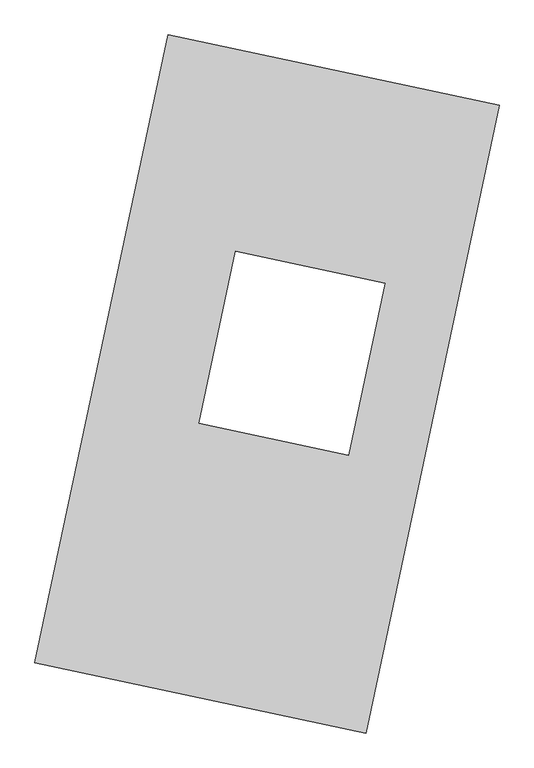
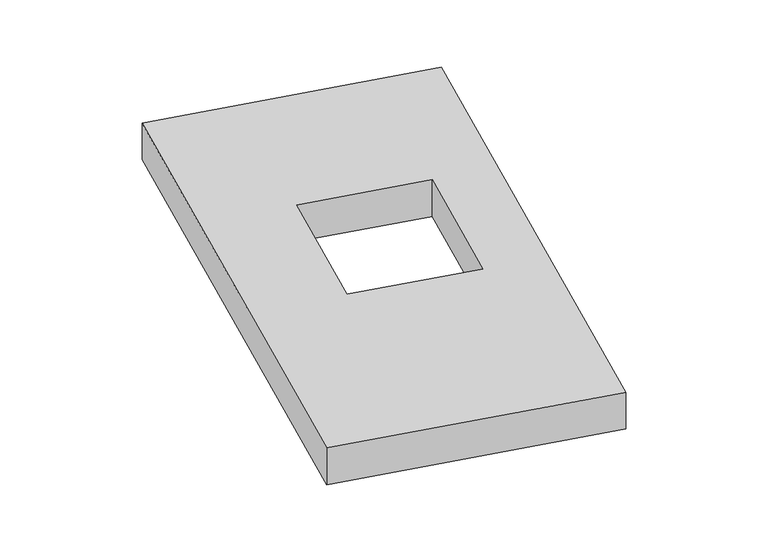
"""IFC4 building model written with IfcOpenShell, lengths in millimetres: proxy geometry."""

from ifc_helpers import new_model, si_unit, origin, origin_with_axes, place, context, project, spatial, polyline, outline, extrude, source, transform, mapped, element, save


def generic_models_498cb142(model_context):
    return source(origin(), model_context, "Body", "SweptSolid", [
        extrude(outline(polyline([(-617.3692021, 2175.5580432), (1447.7508745, 1737.3010494), (617.3692021, -2175.5580432), (-1447.7508745, -1737.3010494), (-617.3692021, 2175.5580432)]), holes=[polyline([(735.3260051, 628.5805693), (-197.4384665, 826.5305857), (-424.9197892, -245.3889802), (507.8446824, -443.3389967), (735.3260051, 628.5805693)])]), origin_with_axes(), (0.0, 0.0, 1.0), 300.0),
    ])


if __name__ == "__main__":
    model = new_model("IFC4")
    model_context = context("Model", 3, world=origin())
    ifc_project = project(units=[si_unit("LENGTHUNIT", "METRE", prefix="MILLI")], contexts=[model_context])
    site = spatial("IfcSite", under=ifc_project)
    building = spatial("IfcBuilding", under=site)
    placement = place(None, origin())
    generic_models_shape = generic_models_498cb142(model_context)
    element("IfcBuildingElementProxy", 1, Name="Generic Models", at=placement, inside=building, context=model_context, shape_type="MappedRepresentation", body=[
        mapped(generic_models_shape, transform((0.0, 0.0, 0.0), x_axis=(1.0, 0.0, 0.0), y_axis=(0.0, 1.0, 0.0), z_axis=(0.0, 0.0, 1.0))),
    ])
    save(model, "model.ifc")
